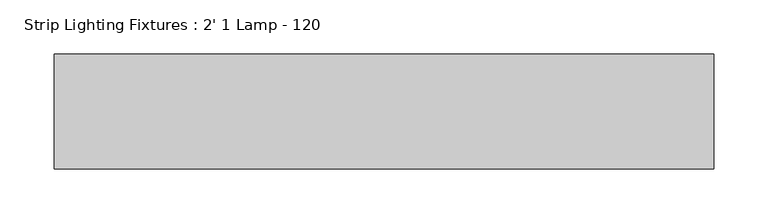
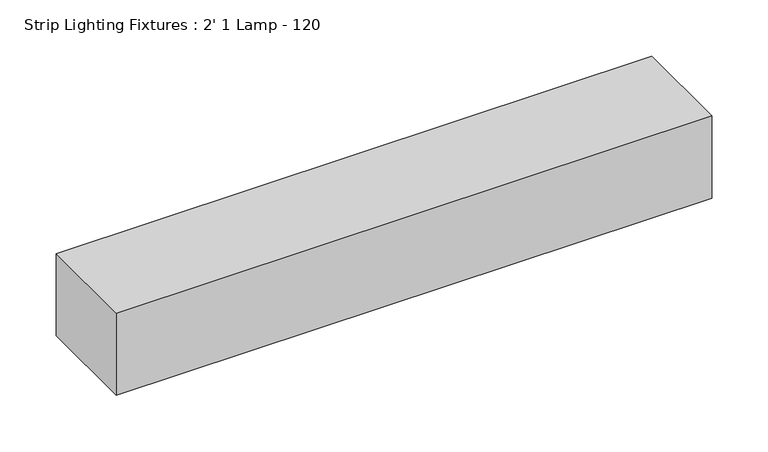
"""IFC4 building model written with IfcOpenShell, lengths in millimetres: light fixture geometry, Strip Lighting Fixtures : 2' 1 Lamp - 120."""

from ifc_helpers import new_model, si_unit, origin, origin_with_axes, place, context, project, spatial, polyline, outline, extrude, source, transform, mapped, element, save


def strip_lighting_fixtures_2_1_lamp_120_e6ade4f4(model_context):
    return source(origin(), model_context, "Body", "SweptSolid", [
        extrude(outline(polyline([(609.6, 53.18125), (609.6, -53.18125), (0.0, -53.18125), (0.0, 53.18125), (609.6, 53.18125)])), origin_with_axes(), (0.0, 0.0, 1.0), 88.9),
    ])


if __name__ == "__main__":
    model = new_model("IFC4")
    model_context = context("Model", 3, world=origin())
    ifc_project = project(units=[si_unit("LENGTHUNIT", "METRE", prefix="MILLI")], contexts=[model_context])
    site = spatial("IfcSite", under=ifc_project)
    building = spatial("IfcBuilding", under=site)
    placement = place(None, origin())
    strip_lighting_fixtures_2_1_lamp_120_shape = strip_lighting_fixtures_2_1_lamp_120_e6ade4f4(model_context)
    element("IfcLightFixture", 1, ObjectType="Strip Lighting Fixtures : 2' 1 Lamp - 120", at=placement, inside=building, context=model_context, shape_type="MappedRepresentation", body=[
        mapped(strip_lighting_fixtures_2_1_lamp_120_shape, transform((0.0, 0.0, 0.0), x_axis=(1.0, 0.0, 0.0), y_axis=(0.0, 1.0, 0.0), z_axis=(0.0, 0.0, 1.0))),
    ])
    save(model, "model.ifc")
